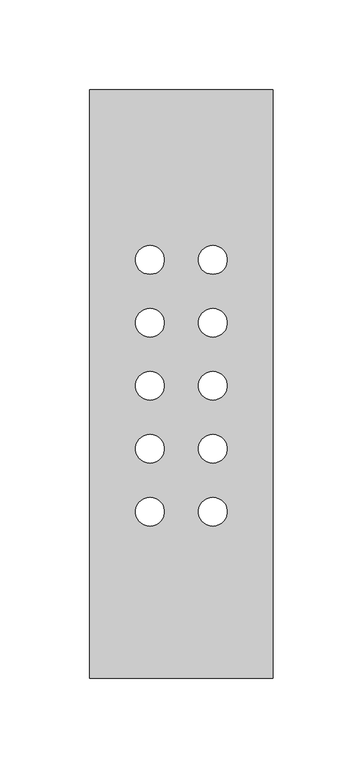
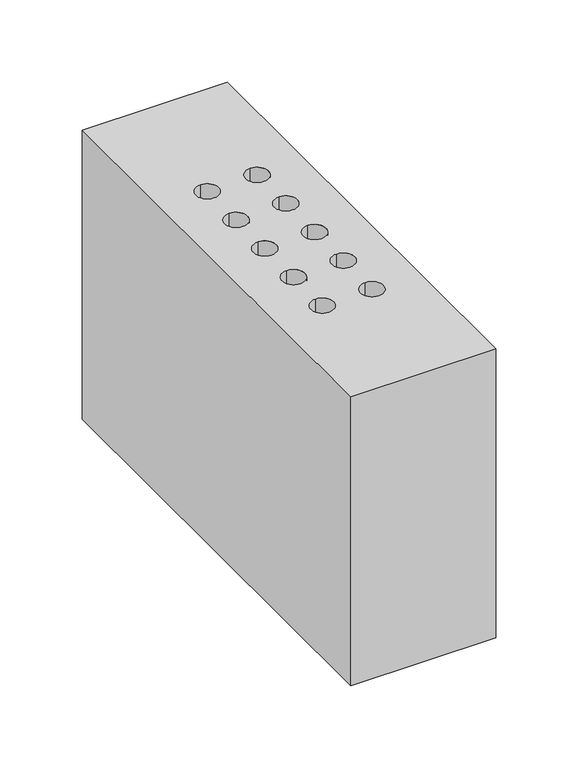
"""IFC4 building model written with IfcOpenShell, lengths in millimetres: proxy geometry."""

from ifc_helpers import new_model, si_unit, point, frame_2d, origin, origin_with_axes, place, context, project, spatial, polyline, circle_curve, trimmed, segment, composite_curve, outline, extrude, source, transform, mapped, element, save


def generic_models_a105440c(model_context):
    return source(origin(), model_context, "Body", "SweptSolid", [
        extrude(outline(polyline([(0.0, 327.0), (102.0, 327.0), (102.0, 0.0), (0.0, 0.0), (0.0, 327.0)]), holes=[composite_curve([segment(trimmed(circle_curve(frame_2d((68.5, 92.5)), 8.0), [point((68.5, 100.5))], [point((68.5, 84.5))], True, "CARTESIAN"), True, "CONTINUOUS"), segment(trimmed(circle_curve(frame_2d((68.5, 92.5)), 8.0), [point((68.5, 84.5))], [point((68.5, 100.5))], True, "CARTESIAN"), True, "CONTINUOUS")], self_intersect=False), composite_curve([segment(trimmed(circle_curve(frame_2d((33.5, 92.5)), 8.0), [point((33.5, 100.5))], [point((33.5, 84.5))], True, "CARTESIAN"), True, "CONTINUOUS"), segment(trimmed(circle_curve(frame_2d((33.5, 92.5)), 8.0), [point((33.5, 84.5))], [point((33.5, 100.5))], True, "CARTESIAN"), True, "CONTINUOUS")], self_intersect=False), composite_curve([segment(trimmed(circle_curve(frame_2d((33.5, 162.5)), 8.0), [point((33.5, 170.5))], [point((33.5, 154.5))], True, "CARTESIAN"), True, "CONTINUOUS"), segment(trimmed(circle_curve(frame_2d((33.5, 162.5)), 8.0), [point((33.5, 154.5))], [point((33.5, 170.5))], True, "CARTESIAN"), True, "CONTINUOUS")], self_intersect=False), composite_curve([segment(trimmed(circle_curve(frame_2d((33.5, 197.5)), 8.0), [point((33.5, 205.5))], [point((33.5, 189.5))], True, "CARTESIAN"), True, "CONTINUOUS"), segment(trimmed(circle_curve(frame_2d((33.5, 197.5)), 8.0), [point((33.5, 189.5))], [point((33.5, 205.5))], True, "CARTESIAN"), True, "CONTINUOUS")], self_intersect=False), composite_curve([segment(trimmed(circle_curve(frame_2d((33.5, 232.5)), 8.0), [point((33.5, 240.5))], [point((33.5, 224.5))], True, "CARTESIAN"), True, "CONTINUOUS"), segment(trimmed(circle_curve(frame_2d((33.5, 232.5)), 8.0), [point((33.5, 224.5))], [point((33.5, 240.5))], True, "CARTESIAN"), True, "CONTINUOUS")], self_intersect=False), composite_curve([segment(trimmed(circle_curve(frame_2d((33.5, 127.5)), 8.0), [point((33.5, 135.5))], [point((33.5, 119.5))], True, "CARTESIAN"), True, "CONTINUOUS"), segment(trimmed(circle_curve(frame_2d((33.5, 127.5)), 8.0), [point((33.5, 119.5))], [point((33.5, 135.5))], True, "CARTESIAN"), True, "CONTINUOUS")], self_intersect=False), composite_curve([segment(trimmed(circle_curve(frame_2d((68.5, 232.5)), 8.0), [point((68.5, 240.5))], [point((68.5, 224.5))], True, "CARTESIAN"), True, "CONTINUOUS"), segment(trimmed(circle_curve(frame_2d((68.5, 232.5)), 8.0), [point((68.5, 224.5))], [point((68.5, 240.5))], True, "CARTESIAN"), True, "CONTINUOUS")], self_intersect=False), composite_curve([segment(trimmed(circle_curve(frame_2d((68.5, 197.5)), 8.0), [point((68.5, 205.5))], [point((68.5, 189.5))], True, "CARTESIAN"), True, "CONTINUOUS"), segment(trimmed(circle_curve(frame_2d((68.5, 197.5)), 8.0), [point((68.5, 189.5))], [point((68.5, 205.5))], True, "CARTESIAN"), True, "CONTINUOUS")], self_intersect=False), composite_curve([segment(trimmed(circle_curve(frame_2d((68.5, 162.5)), 8.0), [point((68.5, 170.5))], [point((68.5, 154.5))], True, "CARTESIAN"), True, "CONTINUOUS"), segment(trimmed(circle_curve(frame_2d((68.5, 162.5)), 8.0), [point((68.5, 154.5))], [point((68.5, 170.5))], True, "CARTESIAN"), True, "CONTINUOUS")], self_intersect=False), composite_curve([segment(trimmed(circle_curve(frame_2d((68.5, 127.5)), 8.0), [point((68.5, 135.5))], [point((68.5, 119.5))], True, "CARTESIAN"), True, "CONTINUOUS"), segment(trimmed(circle_curve(frame_2d((68.5, 127.5)), 8.0), [point((68.5, 119.5))], [point((68.5, 135.5))], True, "CARTESIAN"), True, "CONTINUOUS")], self_intersect=False)]), origin_with_axes(), (0.0, 0.0, 1.0), 215.0),
    ])


if __name__ == "__main__":
    model = new_model("IFC4")
    model_context = context("Model", 3, world=origin())
    ifc_project = project(units=[si_unit("LENGTHUNIT", "METRE", prefix="MILLI")], contexts=[model_context])
    site = spatial("IfcSite", under=ifc_project)
    building = spatial("IfcBuilding", under=site)
    placement = place(None, origin())
    generic_models_shape = generic_models_a105440c(model_context)
    element("IfcBuildingElementProxy", 1, Name="Generic Models", at=placement, inside=building, context=model_context, shape_type="MappedRepresentation", body=[
        mapped(generic_models_shape, transform((0.0, 0.0, 0.0), x_axis=(1.0, 0.0, 0.0), y_axis=(0.0, 1.0, 0.0), z_axis=(0.0, 0.0, 1.0))),
    ])
    save(model, "model.ifc")
